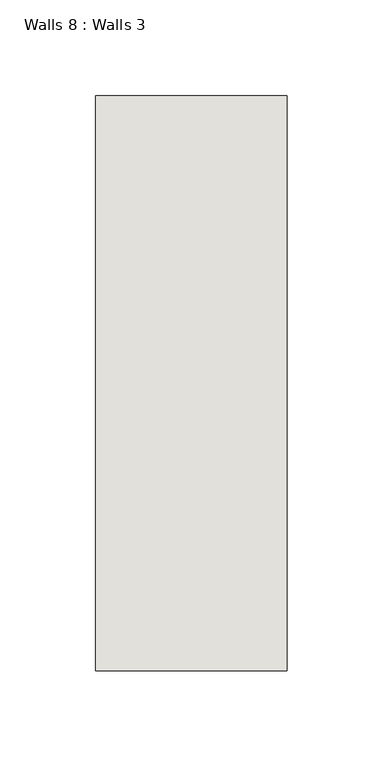
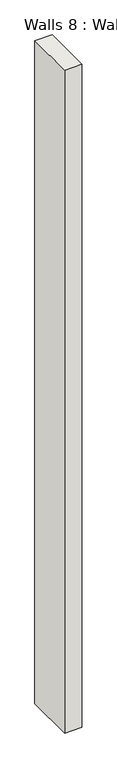
"""IFC4 building model written with IfcOpenShell, lengths in millimetres: wall geometry, Walls 8 : Walls 3."""

from ifc_helpers import new_model, si_unit, origin, origin_with_axes, place, context, project, spatial, polyline, outline, extrude, source, transform, mapped, element, save


def walls_8_walls_3_59e25b52(model_context):
    return source(origin(), model_context, "Body", "SweptSolid", [
        extrude(outline(polyline([(-7612.3812655, 1518.41264), (-7612.3812655, 1818.41264), (-7512.3812655, 1818.41264), (-7512.3812655, 1518.41264), (-7612.3812655, 1518.41264)])), origin_with_axes(), (0.0, 0.0, 1.0), 4085.1192828),
    ])


if __name__ == "__main__":
    model = new_model("IFC4")
    model_context = context("Model", 3, world=origin())
    ifc_project = project(units=[si_unit("LENGTHUNIT", "METRE", prefix="MILLI")], contexts=[model_context])
    site = spatial("IfcSite", under=ifc_project)
    building = spatial("IfcBuilding", under=site)
    placement = place(None, origin())
    walls_8_walls_3_shape = walls_8_walls_3_59e25b52(model_context)
    element("IfcWall", 1, ObjectType="Walls 8 : Walls 3", at=placement, inside=building, context=model_context, shape_type="MappedRepresentation", body=[
        mapped(walls_8_walls_3_shape, transform((0.0, 0.0, 0.0), x_axis=(1.0, 0.0, 0.0), y_axis=(0.0, 1.0, 0.0), z_axis=(0.0, 0.0, 1.0))),
    ])
    save(model, "model.ifc")
